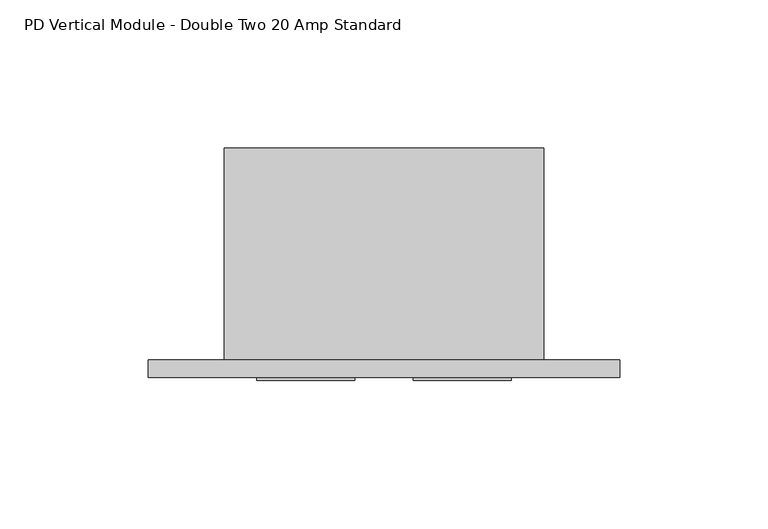
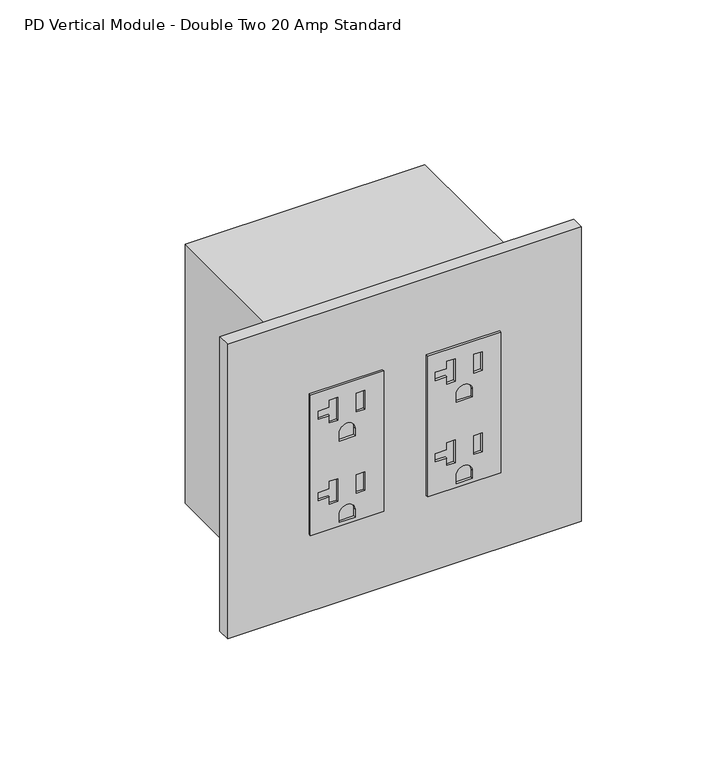
"""IFC4 building model written with IfcOpenShell, lengths in millimetres: proxy geometry, PD Vertical Module - Double Two 20 Amp Standard."""

from ifc_helpers import new_model, si_unit, point, frame, frame_2d, origin, place, context, project, spatial, polyline, circle_curve, trimmed, segment, composite_curve, outline, extrude, source, transform, mapped, element, save


def pd_vertical_module_double_two_20_amp_standard_2ea52ada(model_context):
    return source(origin(), model_context, "Body", "SweptSolid", [
        extrude(outline(polyline([(414.4772, 96.9264), (414.4772, 63.9318), (347.5228, 63.9318), (347.5228, 96.9264), (414.4772, 96.9264)]), holes=[polyline([(366.8776, 72.4408), (370.3574, 72.4408), (370.3574, 76.2762), (359.537, 76.2762), (359.537, 72.4408), (363.0168, 72.4408), (363.0168, 67.3354), (366.8776, 67.3354), (366.8776, 72.4408)]), polyline([(369.3795, 88.4428), (360.5149, 88.4428), (360.5149, 84.6074), (369.3795, 84.6074), (369.3795, 88.4428)]), composite_curve([segment(polyline([(352.9838, 84.0613), (349.3516, 84.0613), (349.3516, 76.7969), (352.9838, 76.7969)]), True, "CONTINUOUS"), segment(trimmed(circle_curve(frame_2d((352.9838, 80.4291)), 3.6322), [point((352.9838, 76.7969))], [point((352.9838, 84.0613))], True, "CARTESIAN"), True, "CONTINUOUS")], self_intersect=False), polyline([(405.6126, 72.4408), (409.0924, 72.4408), (409.0924, 76.2762), (398.272, 76.2762), (398.272, 72.4408), (401.7518, 72.4408), (401.7518, 67.3354), (405.6126, 67.3354), (405.6126, 72.4408)]), polyline([(408.1145, 88.4428), (399.2499, 88.4428), (399.2499, 84.6074), (408.1145, 84.6074), (408.1145, 88.4428)]), composite_curve([segment(polyline([(391.7188, 84.0613), (388.0866, 84.0613), (388.0866, 76.7969), (391.7188, 76.7969)]), True, "CONTINUOUS"), segment(trimmed(circle_curve(frame_2d((391.7188, 80.4291)), 3.6322), [point((391.7188, 76.7969))], [point((391.7188, 84.0613))], True, "CARTESIAN"), True, "CONTINUOUS")], self_intersect=False)]), frame((0.0, -6.9294746, 0.0), z_axis=(0.0, 1.0, 0.0), x_axis=(0.0, 0.0, 1.0)), (0.0, 0.0, 1.0), 1.0366746),
        extrude(outline(polyline([(414.4772, 44.0944), (414.4772, 11.0998), (347.5228, 11.0998), (347.5228, 44.0944), (414.4772, 44.0944)]), holes=[polyline([(409.0924, 23.4442), (398.272, 23.4442), (398.272, 19.6088), (401.7518, 19.6088), (401.7518, 14.5034), (405.6126, 14.5034), (405.6126, 19.6088), (409.0924, 19.6088), (409.0924, 23.4442)]), polyline([(408.1145, 35.6108), (399.2499, 35.6108), (399.2499, 31.7754), (408.1145, 31.7754), (408.1145, 35.6108)]), composite_curve([segment(polyline([(388.0866, 31.2293), (388.0866, 23.9649), (391.7188, 23.9649)]), True, "CONTINUOUS"), segment(trimmed(circle_curve(frame_2d((391.7188, 27.5971)), 3.6322), [point((391.7188, 23.9649))], [point((391.7188, 31.2293))], True, "CARTESIAN"), True, "CONTINUOUS"), segment(polyline([(391.7188, 31.2293), (388.0866, 31.2293)]), True, "CONTINUOUS")], self_intersect=False), polyline([(370.3574, 23.4442), (359.537, 23.4442), (359.537, 19.6088), (363.0168, 19.6088), (363.0168, 14.5034), (366.8776, 14.5034), (366.8776, 19.6088), (370.3574, 19.6088), (370.3574, 23.4442)]), polyline([(369.3795, 35.6108), (360.5149, 35.6108), (360.5149, 31.7754), (369.3795, 31.7754), (369.3795, 35.6108)]), composite_curve([segment(polyline([(349.3516, 31.2293), (349.3516, 23.9649), (352.9838, 23.9649)]), True, "CONTINUOUS"), segment(trimmed(circle_curve(frame_2d((352.9838, 27.5971)), 3.6322), [point((352.9838, 23.9649))], [point((352.9838, 31.2293))], True, "CARTESIAN"), True, "CONTINUOUS"), segment(polyline([(352.9838, 31.2293), (349.3516, 31.2293)]), True, "CONTINUOUS")], self_intersect=False)]), frame((0.0, -6.9294746, 0.0), z_axis=(0.0, 1.0, 0.0), x_axis=(0.0, 0.0, 1.0)), (0.0, 0.0, 1.0), 1.0366746),
        extrude(outline(polyline([(-25.6794, 0.0), (133.7056, 0.0), (133.7056, -5.8928), (-25.6794, -5.8928), (-25.6794, 0.0)])), frame((0.0, 0.0, 310.7302229), z_axis=(0.0, 0.0, 1.0), x_axis=(1.0, 0.0, 0.0)), (0.0, 0.0, 1.0), 140.3604),
        extrude(outline(polyline([(108.0262, 0.0), (0.0, 0.0), (0.0, 71.7296), (108.0262, 71.7296), (108.0262, 0.0)])), frame((0.0, 0.0, 319.1630229), z_axis=(0.0, 0.0, 1.0), x_axis=(1.0, 0.0, 0.0)), (0.0, 0.0, 1.0), 123.4948),
    ])


if __name__ == "__main__":
    model = new_model("IFC4")
    model_context = context("Model", 3, world=origin())
    ifc_project = project(units=[si_unit("LENGTHUNIT", "METRE", prefix="MILLI")], contexts=[model_context])
    site = spatial("IfcSite", under=ifc_project)
    building = spatial("IfcBuilding", under=site)
    placement = place(None, origin())
    pd_vertical_module_double_two_20_amp_standard_shape = pd_vertical_module_double_two_20_amp_standard_2ea52ada(model_context)
    element("IfcBuildingElementProxy", 1, Name="PD Vertical Module - Double Two 20 Amp Standard", ObjectType="PD Vertical Module - Double Two 20 Amp Standard", at=placement, inside=building, context=model_context, shape_type="MappedRepresentation", body=[
        mapped(pd_vertical_module_double_two_20_amp_standard_shape, transform((0.0, 0.0, 0.0), x_axis=(1.0, 0.0, 0.0), y_axis=(0.0, 1.0, 0.0), z_axis=(0.0, 0.0, 1.0))),
    ])
    save(model, "model.ifc")
